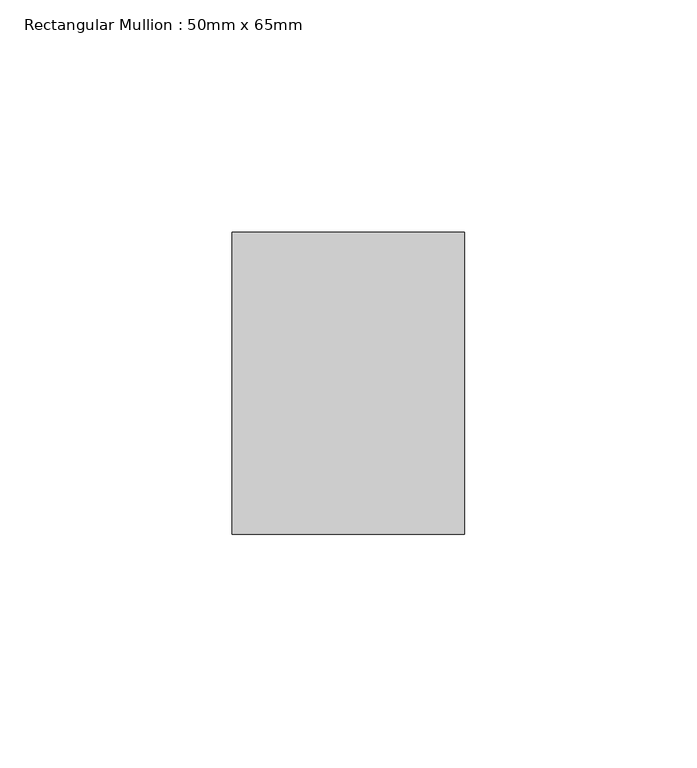
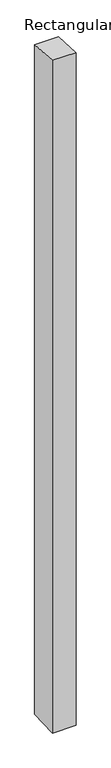
"""IFC4 building model written with IfcOpenShell, lengths in millimetres: member geometry, Rectangular Mullion : 50mm x 65mm."""

from ifc_helpers import new_model, si_unit, origin, place, context, project, spatial, faceted_brep, source, transform, mapped, element, save


def rectangular_mullion_50mm_x_65mm_16c3137b(model_context):
    return source(origin(), model_context, "Body", "Brep", [
        faceted_brep([(-25.0, 32.5, -2.1659769), (25.0, 32.5, -2.1659783), (25.0, 32.5, -1498.7588429), (-25.0, 32.5, -1498.7588436), (-25.0, -32.5, 2.1659783), (-25.0, -32.5, -1501.2410261), (25.0, -32.5, 2.1659769), (25.0, -32.5, -1501.2410254)], [[[0, 1, 2, 3]], [[4, 0, 3, 5]], [[6, 4, 5, 7]], [[1, 6, 7, 2]], [[1, 0, 4, 6]], [[2, 7, 5, 3]]]),
    ])


if __name__ == "__main__":
    model = new_model("IFC4")
    model_context = context("Model", 3, world=origin())
    ifc_project = project(units=[si_unit("LENGTHUNIT", "METRE", prefix="MILLI")], contexts=[model_context])
    site = spatial("IfcSite", under=ifc_project)
    building = spatial("IfcBuilding", under=site)
    placement = place(None, origin())
    rectangular_mullion_50mm_x_65mm_shape = rectangular_mullion_50mm_x_65mm_16c3137b(model_context)
    element("IfcMember", 1, ObjectType="Rectangular Mullion : 50mm x 65mm", at=placement, inside=building, context=model_context, shape_type="MappedRepresentation", body=[
        mapped(rectangular_mullion_50mm_x_65mm_shape, transform((0.0, 0.0, 0.0), x_axis=(1.0, 0.0, 0.0), y_axis=(0.0, 1.0, 0.0), z_axis=(0.0, 0.0, 1.0))),
    ])
    save(model, "model.ifc")
